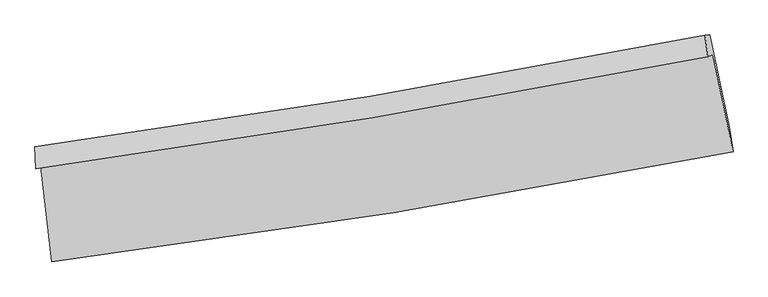
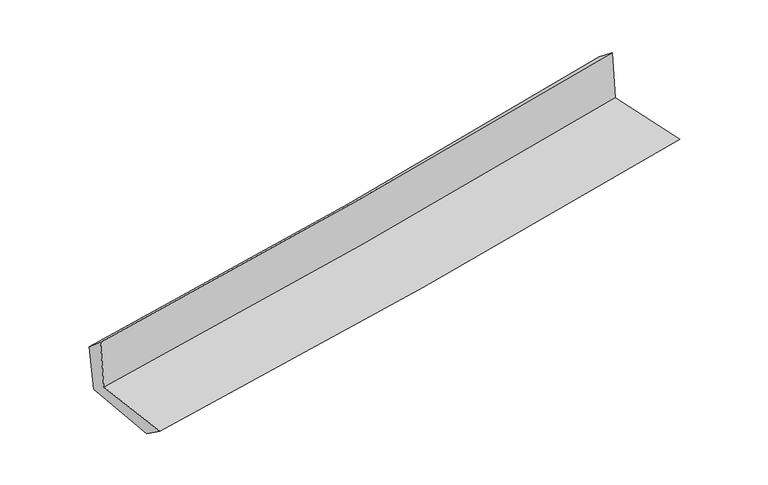
"""IFC4 building model written with IfcOpenShell, lengths in millimetres: proxy geometry."""

from ifc_helpers import new_model, si_unit, frame, origin, place, context, project, spatial, source, transform, mapped, element, save
from ifc_brep_helpers import plane_surface, spline_curve, spline_surface, advanced_brep


def generic_models_45909434(model_context):
    return source(origin(), model_context, "Body", "AdvancedBrep", [
        advanced_brep(
        [(-2314.7382699, -1869.5316792, 1674.7422805), (-2239.8825423, -2521.3041545, 1667.4641641), (2401.0440531, -1772.26712, 2086.516635), (2263.7702799, -1108.325067, 2088.4986887), (-2350.3663703, -1885.6091706, 2081.0340448), (2228.3991512, -1124.3648072, 2494.9452891), (-2355.6106488, -1737.1215887, 1954.6000471), (2209.4379396, -978.1204129, 2376.9070498), (-2320.8970698, -1739.0744435, 1580.48722), (2243.1602231, -974.7233417, 2015.2124429), (-2247.7766015, -2354.8228469, 1547.5569396), (2375.0689344, -1600.3892673, 1986.5646336)],
        [
            (0, 1),
            (1, 2, spline_curve(3, [(-2239.8825423, -2521.3041545, 1667.4641641), (-1463.173306289, -2423.535827184, 1739.989154869), (-688.162528123, -2312.249211775, 1811.165040904), (858.81455238, -2062.582525073, 1950.850428029), (1630.779305711, -1924.190128842, 2019.358698694), (2401.0440531, -1772.26712, 2086.516635)], [4, 2, 4], [0.0, 7.692503154581927, 15.388512187040096])),
            (2, 3),
            (3, 0, spline_curve(3, [(2263.7702799, -1108.325067, 2088.4986887), (1504.410741652, -1259.00738119, 2022.319284551), (743.101224656, -1397.794165068, 1954.741708131), (-783.070068264, -1651.518867066, 1816.821631622), (-1547.930067777, -1766.467620655, 1746.480405378), (-2314.7382699, -1869.5316792, 1674.7422805)], [4, 2, 4], [0.0, 7.696009032458169, 15.388512187040096])),
            (4, 0),
            (3, 5),
            (5, 4, spline_curve(3, [(2228.3991512, -1124.3648072, 2494.9452891), (1468.990255211, -1275.057630861, 2428.783003977), (707.634640852, -1413.85281548, 2361.201076182), (-818.622306346, -1667.590099186, 2223.229368134), (-1583.521865769, -1782.543035788, 2152.840881273), (-2350.3663703, -1885.6091706, 2081.0340448)], [4, 2, 4], [0.0, 7.647006409933695, 15.290529264887272])),
            (6, 4),
            (5, 7),
            (7, 6, spline_curve(3, [(2209.4379396, -978.1204129, 2376.9070498), (1452.770584088, -1128.32128878, 2305.919233369), (693.92902615, -1266.68353812, 2235.225124128), (-827.755816881, -1519.673146685, 2094.456390818), (-1590.597121919, -1634.311289119, 2024.381498983), (-2355.6106488, -1737.1215887, 1954.6000471)], [4, 2, 4], [0.0, 7.636475587508823, 15.269472417300264])),
            (8, 6),
            (7, 9),
            (9, 8, spline_curve(3, [(2243.1602231, -974.7233417, 2015.2124429), (1485.613249319, -1124.124278975, 1951.252784317), (726.41462816, -1262.532680476, 1883.036630252), (-794.93930728, -1517.306368072, 1738.124345695), (-1557.093117225, -1633.681667127, 1661.432092103), (-2320.8970698, -1739.0744435, 1580.48722)], [4, 2, 4], [0.0, 7.626539929463889, 15.24960562734902])),
            (10, 8),
            (9, 11),
            (11, 10, spline_curve(3, [(2375.0689344, -1600.3892673, 1986.5646336), (1607.912432155, -1755.074933606, 1921.480752571), (839.008888483, -1895.298260651, 1852.34557994), (-701.941214719, -2146.762947169, 1706.005991583), (-1473.986183136, -2258.017479787, 1628.805266281), (-2247.7766015, -2354.8228469, 1547.5569396)], [4, 2, 4], [0.0, 7.674090207414437, 15.344684521962197])),
            (1, 10),
            (11, 2),
        ],
        [
            spline_surface(3, 3, [[(-2314.7382699, -1869.5316792, 1674.7422805), (-1547.930067729, -1766.467620644, 1746.480405474), (-783.070068214, -1651.518867045, 1816.821631734), (743.101224605, -1397.794165089, 1954.741708018), (1504.410741655, -1259.007381257, 2022.319284531), (2263.7702799, -1108.325067, 2088.4986887)], [(-2289.786360701, -2086.789170982, 1672.316241691), (-1519.677813925, -1985.490356151, 1744.316655233), (-751.434221488, -1871.762315308, 1814.936101485), (781.672333828, -1619.390285097, 1953.444614659), (1546.533596353, -1480.734963798, 2021.332422594), (2309.528204288, -1329.639084649, 2087.838004135)], [(-2264.834451499, -2304.046662718, 1669.890202909), (-1491.425560118, -2204.513091611, 1742.152905019), (-719.798374753, -2092.005763521, 1813.050571239), (820.243443062, -1840.986405055, 1952.147521303), (1588.656451087, -1702.462546392, 2020.345560653), (2355.286128712, -1550.953102351, 2087.177319565)], [(-2239.8825423, -2521.3041545, 1667.4641641), (-1463.173306314, -2423.535827119, 1739.989154778), (-688.162528028, -2312.249211785, 1811.16504099), (858.814552284, -2062.582525063, 1950.850427943), (1630.779305785, -1924.190128933, 2019.358698717), (2401.0440531, -1772.26712, 2086.516635)]], [4, 4], [4, 2, 4], [0.0, 2.2017473241267234], [0.0, 7.692503154581927, 15.388512187040096]),
            spline_surface(3, 3, [[(-2350.3663703, -1885.6091706, 2081.0340448), (-1583.521865742, -1782.543035724, 2152.840881303), (-818.622306281, -1667.590099235, 2223.229368207), (707.634640786, -1413.852815431, 2361.201076109), (1468.990255154, -1275.057630826, 2428.783003956), (2228.3991512, -1124.3648072, 2494.9452891)], [(-2338.490336851, -1880.250006779, 1945.603456714), (-1571.657933089, -1777.18456401, 2017.387389374), (-806.771560253, -1662.233021823, 2087.760122701), (719.456835398, -1408.499931968, 2225.714620064), (1480.797083985, -1269.707547651, 2293.295097467), (2240.18952743, -1119.018227148, 2359.463088953)], [(-2326.614303349, -1874.890843021, 1810.172868586), (-1559.794000382, -1771.826092358, 1881.933897403), (-794.920814241, -1656.875944457, 1952.290877239), (731.279029994, -1403.147048552, 2090.228164063), (1492.603912824, -1264.357464432, 2157.807191019), (2251.97990367, -1113.671647052, 2223.980888847)], [(-2314.7382699, -1869.5316792, 1674.7422805), (-1547.930067729, -1766.467620644, 1746.480405474), (-783.070068214, -1651.518867045, 1816.821631734), (743.101224605, -1397.794165089, 1954.741708018), (1504.410741655, -1259.007381257, 2022.319284531), (2263.7702799, -1108.325067, 2088.4986887)]], [4, 4], [4, 2, 4], [0.0, 1.3395603045297864], [0.0, 7.643522854953577, 15.290529264887272]),
            spline_surface(3, 3, [[(-2355.6106488, -1737.1215887, 1954.6000471), (-1590.597121999, -1634.311289127, 2024.381499062), (-827.755816988, -1519.673146564, 2094.456390794), (693.929026257, -1266.683538242, 2235.225124152), (1452.770584041, -1128.321288841, 2305.919233339), (2209.4379396, -978.1204129, 2376.9070498)], [(-2353.862555965, -1786.61744935, 1996.744712986), (-1588.238703245, -1683.721871342, 2067.201293128), (-824.711313426, -1568.978797467, 2137.380716598), (698.497564426, -1315.739963984, 2277.217108137), (1458.17714108, -1177.233402817, 2346.873823548), (2215.758343468, -1026.868544314, 2416.25312957)], [(-2352.114463135, -1836.11330995, 2038.889378914), (-1585.880284496, -1733.132453509, 2110.021087237), (-821.666809843, -1618.284448333, 2180.305042403), (703.066102617, -1364.796389689, 2319.209092123), (1463.583698115, -1226.14551685, 2387.828413747), (2222.078747332, -1075.616675786, 2455.59920933)], [(-2350.3663703, -1885.6091706, 2081.0340448), (-1583.521865742, -1782.543035724, 2152.840881303), (-818.622306281, -1667.590099235, 2223.229368207), (707.634640786, -1413.852815431, 2361.201076109), (1468.990255154, -1275.057630826, 2428.783003956), (2228.3991512, -1124.3648072, 2494.9452891)]], [4, 4], [4, 2, 4], [0.0, 0.6405913834143903], [0.0, 7.632996829791441, 15.269472417300264]),
            spline_surface(3, 3, [[(-2320.8970698, -1739.0744435, 1580.48722), (-1557.093117103, -1633.681667253, 1661.432091976), (-794.93930727, -1517.306368126, 1738.124345577), (726.41462815, -1262.532680423, 1883.036630371), (1485.613249291, -1124.124278969, 1951.252784416), (2243.1602231, -974.7233417, 2015.2124429)], [(-2332.468262798, -1738.423491881, 1705.191495703), (-1568.261118733, -1633.891541191, 1782.415227674), (-805.878143846, -1518.095294254, 1856.901693987), (715.586094182, -1263.916299678, 2000.432794968), (1474.665694216, -1125.523282265, 2069.474934057), (2231.919461941, -975.855698772, 2135.777311866)], [(-2344.039455802, -1737.772540319, 1829.895771397), (-1579.429120369, -1634.101415188, 1903.398363364), (-816.816980412, -1518.884220436, 1975.679042385), (704.757560225, -1265.299918986, 2117.828959554), (1463.718139116, -1126.922285545, 2187.697083698), (2220.678700759, -976.988055828, 2256.342180834)], [(-2355.6106488, -1737.1215887, 1954.6000471), (-1590.597121999, -1634.311289127, 2024.381499062), (-827.755816988, -1519.673146564, 2094.456390794), (693.929026257, -1266.683538242, 2235.225124152), (1452.770584041, -1128.321288841, 2305.919233339), (2209.4379396, -978.1204129, 2376.9070498)]], [4, 4], [4, 2, 4], [0.0, 1.167243251203788], [0.0, 7.6230656978851306, 15.24960562734902]),
            spline_surface(3, 3, [[(-2247.7766015, -2354.8228469, 1547.5569396), (-1473.986183247, -2258.017479774, 1628.805266209), (-701.941214775, -2146.762947106, 1706.005991638), (839.00888854, -1895.298260713, 1852.345579884), (1607.912432036, -1755.074933546, 1921.480752463), (2375.0689344, -1600.3892673, 1986.5646336)], [(-2272.150090932, -2149.573379094, 1558.533699733), (-1501.688494531, -2049.905542261, 1639.680874798), (-732.940578936, -1936.944087453, 1716.712109598), (801.477468414, -1684.376400624, 1862.575930027), (1567.146037786, -1544.758048687, 1931.404763111), (2331.099363965, -1391.833958767, 1996.113903364)], [(-2296.523580368, -1944.323911306, 1569.510459867), (-1529.390805819, -1841.793604765, 1650.556483388), (-763.939943109, -1727.125227779, 1727.418227617), (763.946048276, -1473.454540513, 1872.806280228), (1526.37964354, -1334.441163828, 1941.328773768), (2287.129793535, -1183.278650233, 2005.663173136)], [(-2320.8970698, -1739.0744435, 1580.48722), (-1557.093117103, -1633.681667253, 1661.432091976), (-794.93930727, -1517.306368126, 1738.124345577), (726.41462815, -1262.532680423, 1883.036630371), (1485.613249291, -1124.124278969, 1951.252784416), (2243.1602231, -974.7233417, 2015.2124429)]], [4, 4], [4, 2, 4], [0.0, 2.100394501124787], [0.0, 7.67059431454776, 15.344684521962197]),
            spline_surface(3, 3, [[(-2239.8825423, -2521.3041545, 1667.4641641), (-1463.173306314, -2423.535827119, 1739.989154778), (-688.162528028, -2312.249211785, 1811.16504099), (858.814552284, -2062.582525063, 1950.850427943), (1630.779305785, -1924.190128933, 2019.358698717), (2401.0440531, -1772.26712, 2086.516635)], [(-2242.513895352, -2465.810385314, 1627.495089274), (-1466.777598611, -2368.363044685, 1702.927858596), (-692.755423605, -2257.087123556, 1776.112024571), (852.212664374, -2006.82110361, 1918.015478622), (1623.157014542, -1867.818397153, 1986.732716644), (2392.385680207, -1714.974502449, 2053.199301212)], [(-2245.145248448, -2410.316616086, 1587.526014426), (-1470.381890951, -2313.190262209, 1665.866562392), (-697.348319197, -2201.925035335, 1741.059008057), (845.61077645, -1951.059682166, 1885.180529206), (1615.534723279, -1811.446665325, 1954.106734535), (2383.727307293, -1657.681884851, 2019.881967388)], [(-2247.7766015, -2354.8228469, 1547.5569396), (-1473.986183247, -2258.017479774, 1628.805266209), (-701.941214775, -2146.762947106, 1706.005991638), (839.00888854, -1895.298260713, 1852.345579884), (1607.912432036, -1755.074933546, 1921.480752463), (2375.0689344, -1600.3892673, 1986.5646336)]], [4, 4], [4, 2, 4], [0.0, 0.642371803813018], [0.0, 7.729490951560971, 15.462504638280723]),
            plane_surface(frame((2286.8134302, -1259.698336, 2174.7741232), z_axis=(0.9751163672716887, 0.2013337726855862, 0.09280507666638663), x_axis=(-0.09282747437787252, -0.009351132511237231, 0.995638295929492))),
            plane_surface(frame((-2304.8785838, -2017.9106472, 1750.9807827), z_axis=(-0.9894421428151091, -0.11261827286654648, -0.09122154700508807), x_axis=(-0.11409241253659508, 0.9934082070235458, 0.01109304375920347))),
        ],
        [
            (0, [[1, 2, 3, 4]]),
            (1, [[5, -4, 6, 7]]),
            (2, [[8, -7, 9, 10]]),
            (3, [[11, -10, 12, 13]]),
            (4, [[14, -13, 15, 16]]),
            (5, [[17, -16, 18, -2]]),
            (6, [[-12, -9, -6, -3, -18, -15]]),
            (7, [[-1, -5, -8, -11, -14, -17]]),
        ],
    ),
    ])


if __name__ == "__main__":
    model = new_model("IFC4")
    model_context = context("Model", 3, world=origin())
    ifc_project = project(units=[si_unit("LENGTHUNIT", "METRE", prefix="MILLI")], contexts=[model_context])
    site = spatial("IfcSite", under=ifc_project)
    building = spatial("IfcBuilding", under=site)
    placement = place(None, origin())
    generic_models_shape = generic_models_45909434(model_context)
    element("IfcBuildingElementProxy", 1, Name="Generic Models", at=placement, inside=building, context=model_context, shape_type="MappedRepresentation", body=[
        mapped(generic_models_shape, transform((0.0, 0.0, 0.0), x_axis=(1.0, 0.0, 0.0), y_axis=(0.0, 1.0, 0.0), z_axis=(0.0, 0.0, 1.0))),
    ])
    save(model, "model.ifc")
